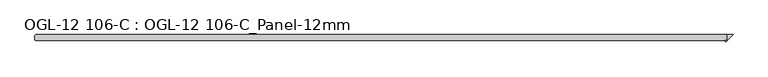
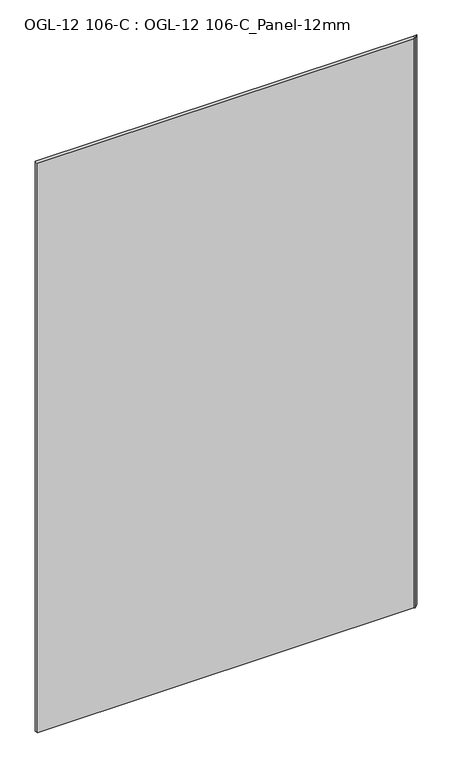
"""IFC4 building model written with IfcOpenShell, lengths in millimetres: plate geometry, OGL-12 106-C : OGL-12 106-C_Panel-12mm."""

from ifc_helpers import new_model, si_unit, origin, origin_with_axes, place, context, project, spatial, polyline, outline, extrude, source, transform, mapped, element, save


def ogl_12_106_c_ogl_12_106_c_panel_12mm_6a09747d(model_context):
    return source(origin(), model_context, "Body", "SweptSolid", [
        extrude(outline(polyline([(732.6330201, 4.7625), (731.0455201, 6.35), (745.3330201, 6.35), (729.9229881, -9.060032), (727.2129561, -6.35), (731.0455201, -6.35), (732.6330201, -4.7625), (732.6330201, 4.7625)])), origin_with_axes(), (0.0, 0.0, 1.0), 2339.9738578),
        extrude(outline(polyline([(731.0455201, 6.35), (732.6330201, 4.7625), (732.6330201, -4.7625), (731.0455201, -6.35), (-737.3955201, -6.35), (-738.9830201, -4.7625), (-738.9830201, 4.7625), (-737.3955201, 6.35), (731.0455201, 6.35)])), origin_with_axes(), (0.0, 0.0, 1.0), 2339.9738578),
    ])


if __name__ == "__main__":
    model = new_model("IFC4")
    model_context = context("Model", 3, world=origin())
    ifc_project = project(units=[si_unit("LENGTHUNIT", "METRE", prefix="MILLI")], contexts=[model_context])
    site = spatial("IfcSite", under=ifc_project)
    building = spatial("IfcBuilding", under=site)
    placement = place(None, origin())
    ogl_12_106_c_ogl_12_106_c_panel_12mm_shape = ogl_12_106_c_ogl_12_106_c_panel_12mm_6a09747d(model_context)
    element("IfcPlate", 1, ObjectType="OGL-12 106-C : OGL-12 106-C_Panel-12mm", at=placement, inside=building, context=model_context, shape_type="MappedRepresentation", body=[
        mapped(ogl_12_106_c_ogl_12_106_c_panel_12mm_shape, transform((0.0, 0.0, 0.0), x_axis=(1.0, 0.0, 0.0), y_axis=(0.0, 1.0, 0.0), z_axis=(0.0, 0.0, 1.0))),
    ])
    save(model, "model.ifc")
